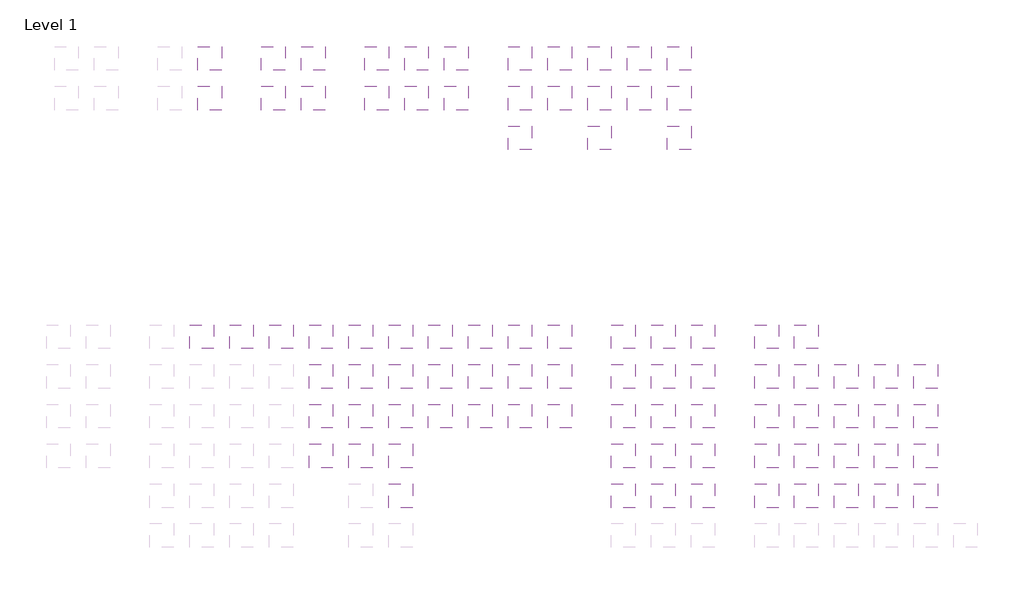
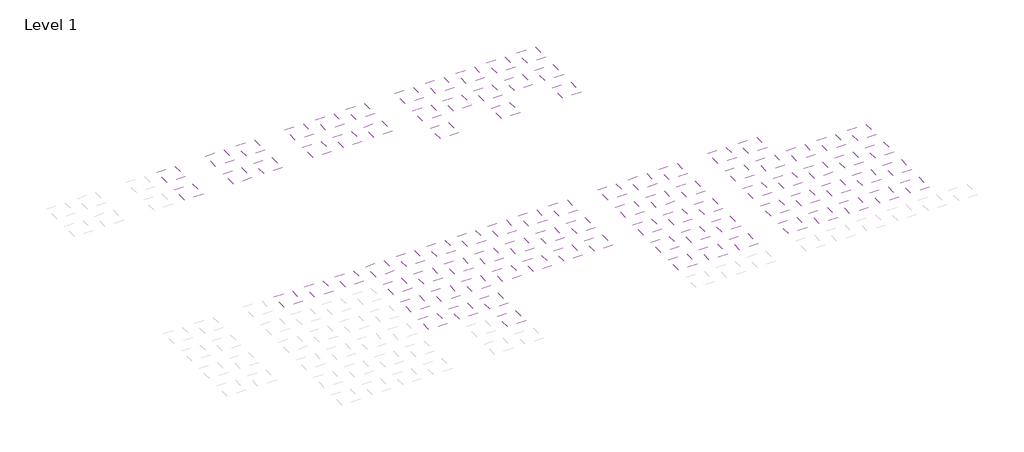
# One storey, part 5 of 90: 90 coverings.
"""IFC4 building model written with IfcOpenShell, lengths in millimetres."""

from ifc_helpers import new_model, si_unit, frame, origin, place, context, project, spatial, polyline, outline, extrude, element, save

model = new_model("IFC4")

# Units and contexts
model_context = context("Model", 3, world=origin())
ifc_project = project(units=[si_unit("LENGTHUNIT", "METRE", prefix="MILLI")], contexts=[model_context])

# Site, building, storey
site = spatial("IfcSite", under=ifc_project)
building = spatial("IfcBuilding", under=site)
storey = spatial("IfcBuildingStorey", under=building, Name="Level 1", Elevation=0.0)

# Coverings
placement = place(None, origin())
element("IfcCovering", 1, at=placement, inside=storey, context=model_context, shape_type="SweptSolid", body=[
    extrude(outline(polyline([(160921.3888175, -42496.7559295), (160921.3888175, -45496.7559295), (157921.3888175, -45496.7559295), (157921.3888175, -42496.7559295), (160921.3888175, -42496.7559295)])), frame((0.0, 0.0, 2600.0), z_axis=(0.0, 0.0, 1.0), x_axis=(1.0, 0.0, 0.0)), (0.0, 0.0, 1.0), 38.0),
])
element("IfcCovering", 2, at=placement, inside=storey, context=model_context, shape_type="SweptSolid", body=[
    extrude(outline(polyline([(160921.3888175, -52496.7559295), (160921.3888175, -55496.7559295), (157921.3888175, -55496.7559295), (157921.3888175, -52496.7559295), (160921.3888175, -52496.7559295)])), frame((0.0, 0.0, 2600.0), z_axis=(0.0, 0.0, 1.0), x_axis=(1.0, 0.0, 0.0)), (0.0, 0.0, 1.0), 38.0),
])
element("IfcCovering", 3, at=placement, inside=storey, context=model_context, shape_type="SweptSolid", body=[
    extrude(outline(polyline([(180921.3888175, -7496.7559295), (180921.3888175, -10496.7559295), (177921.3888175, -10496.7559295), (177921.3888175, -7496.7559295), (180921.3888175, -7496.7559295)])), frame((0.0, 0.0, 2600.0), z_axis=(0.0, 0.0, 1.0), x_axis=(1.0, 0.0, 0.0)), (0.0, 0.0, 1.0), 38.0),
])
element("IfcCovering", 4, at=placement, inside=storey, context=model_context, shape_type="SweptSolid", body=[
    extrude(outline(polyline([(180921.3888175, -17496.7559295), (180921.3888175, -20496.7559295), (177921.3888175, -20496.7559295), (177921.3888175, -17496.7559295), (180921.3888175, -17496.7559295)])), frame((0.0, 0.0, 2600.0), z_axis=(0.0, 0.0, 1.0), x_axis=(1.0, 0.0, 0.0)), (0.0, 0.0, 1.0), 38.0),
])
element("IfcCovering", 5, at=placement, inside=storey, context=model_context, shape_type="SweptSolid", body=[
    extrude(outline(polyline([(190921.3888175, -7496.7559295), (190921.3888175, -10496.7559295), (187921.3888175, -10496.7559295), (187921.3888175, -7496.7559295), (190921.3888175, -7496.7559295)])), frame((0.0, 0.0, 2600.0), z_axis=(0.0, 0.0, 1.0), x_axis=(1.0, 0.0, 0.0)), (0.0, 0.0, 1.0), 38.0),
])
element("IfcCovering", 6, at=placement, inside=storey, context=model_context, shape_type="SweptSolid", body=[
    extrude(outline(polyline([(190921.3888175, -17496.7559295), (190921.3888175, -20496.7559295), (187921.3888175, -20496.7559295), (187921.3888175, -17496.7559295), (190921.3888175, -17496.7559295)])), frame((0.0, 0.0, 2600.0), z_axis=(0.0, 0.0, 1.0), x_axis=(1.0, 0.0, 0.0)), (0.0, 0.0, 1.0), 38.0),
])
element("IfcCovering", 7, at=placement, inside=storey, context=model_context, shape_type="SweptSolid", body=[
    extrude(outline(polyline([(206921.3888175, -42496.7559295), (206921.3888175, -45496.7559295), (203921.3888175, -45496.7559295), (203921.3888175, -42496.7559295), (206921.3888175, -42496.7559295)])), frame((0.0, 0.0, 2600.0), z_axis=(0.0, 0.0, 1.0), x_axis=(1.0, 0.0, 0.0)), (0.0, 0.0, 1.0), 38.0),
])
element("IfcCovering", 8, at=placement, inside=storey, context=model_context, shape_type="SweptSolid", body=[
    extrude(outline(polyline([(135921.3888175, -42496.7559295), (135921.3888175, -45496.7559295), (132921.3888175, -45496.7559295), (132921.3888175, -42496.7559295), (135921.3888175, -42496.7559295)])), frame((0.0, 0.0, 2600.0), z_axis=(0.0, 0.0, 1.0), x_axis=(1.0, 0.0, 0.0)), (0.0, 0.0, 1.0), 38.0),
])
element("IfcCovering", 9, at=placement, inside=storey, context=model_context, shape_type="SweptSolid", body=[
    extrude(outline(polyline([(150921.3888175, -42496.7559295), (150921.3888175, -45496.7559295), (147921.3888175, -45496.7559295), (147921.3888175, -42496.7559295), (150921.3888175, -42496.7559295)])), frame((0.0, 0.0, 2600.0), z_axis=(0.0, 0.0, 1.0), x_axis=(1.0, 0.0, 0.0)), (0.0, 0.0, 1.0), 38.0),
])
element("IfcCovering", 10, at=placement, inside=storey, context=model_context, shape_type="SweptSolid", body=[
    extrude(outline(polyline([(150921.3888175, -47496.7559295), (150921.3888175, -50496.7559295), (147921.3888175, -50496.7559295), (147921.3888175, -47496.7559295), (150921.3888175, -47496.7559295)])), frame((0.0, 0.0, 2600.0), z_axis=(0.0, 0.0, 1.0), x_axis=(1.0, 0.0, 0.0)), (0.0, 0.0, 1.0), 38.0),
])
element("IfcCovering", 11, at=placement, inside=storey, context=model_context, shape_type="SweptSolid", body=[
    extrude(outline(polyline([(150921.3888175, -52496.7559295), (150921.3888175, -55496.7559295), (147921.3888175, -55496.7559295), (147921.3888175, -52496.7559295), (150921.3888175, -52496.7559295)])), frame((0.0, 0.0, 2600.0), z_axis=(0.0, 0.0, 1.0), x_axis=(1.0, 0.0, 0.0)), (0.0, 0.0, 1.0), 38.0),
])
element("IfcCovering", 12, at=placement, inside=storey, context=model_context, shape_type="SweptSolid", body=[
    extrude(outline(polyline([(150921.3888175, -57496.7559295), (150921.3888175, -60496.7559295), (147921.3888175, -60496.7559295), (147921.3888175, -57496.7559295), (150921.3888175, -57496.7559295)])), frame((0.0, 0.0, 2600.0), z_axis=(0.0, 0.0, 1.0), x_axis=(1.0, 0.0, 0.0)), (0.0, 0.0, 1.0), 38.0),
])
element("IfcCovering", 13, at=placement, inside=storey, context=model_context, shape_type="SweptSolid", body=[
    extrude(outline(polyline([(160921.3888175, -47496.7559295), (160921.3888175, -50496.7559295), (157921.3888175, -50496.7559295), (157921.3888175, -47496.7559295), (160921.3888175, -47496.7559295)])), frame((0.0, 0.0, 2600.0), z_axis=(0.0, 0.0, 1.0), x_axis=(1.0, 0.0, 0.0)), (0.0, 0.0, 1.0), 38.0),
])
element("IfcCovering", 14, at=placement, inside=storey, context=model_context, shape_type="SweptSolid", body=[
    extrude(outline(polyline([(155921.3888175, -42496.7559295), (155921.3888175, -45496.7559295), (152921.3888175, -45496.7559295), (152921.3888175, -42496.7559295), (155921.3888175, -42496.7559295)])), frame((0.0, 0.0, 2600.0), z_axis=(0.0, 0.0, 1.0), x_axis=(1.0, 0.0, 0.0)), (0.0, 0.0, 1.0), 38.0),
])
element("IfcCovering", 15, at=placement, inside=storey, context=model_context, shape_type="SweptSolid", body=[
    extrude(outline(polyline([(155921.3888175, -47496.7559295), (155921.3888175, -50496.7559295), (152921.3888175, -50496.7559295), (152921.3888175, -47496.7559295), (155921.3888175, -47496.7559295)])), frame((0.0, 0.0, 2600.0), z_axis=(0.0, 0.0, 1.0), x_axis=(1.0, 0.0, 0.0)), (0.0, 0.0, 1.0), 38.0),
])
element("IfcCovering", 16, at=placement, inside=storey, context=model_context, shape_type="SweptSolid", body=[
    extrude(outline(polyline([(155921.3888175, -57496.7559295), (155921.3888175, -60496.7559295), (152921.3888175, -60496.7559295), (152921.3888175, -57496.7559295), (155921.3888175, -57496.7559295)])), frame((0.0, 0.0, 2600.0), z_axis=(0.0, 0.0, 1.0), x_axis=(1.0, 0.0, 0.0)), (0.0, 0.0, 1.0), 38.0),
])
element("IfcCovering", 17, at=placement, inside=storey, context=model_context, shape_type="SweptSolid", body=[
    extrude(outline(polyline([(155921.3888175, -62496.7559295), (155921.3888175, -65496.7559295), (152921.3888175, -65496.7559295), (152921.3888175, -62496.7559295), (155921.3888175, -62496.7559295)])), frame((0.0, 0.0, 2600.0), z_axis=(0.0, 0.0, 1.0), x_axis=(1.0, 0.0, 0.0)), (0.0, 0.0, 1.0), 38.0),
])
element("IfcCovering", 18, at=placement, inside=storey, context=model_context, shape_type="SweptSolid", body=[
    extrude(outline(polyline([(155921.3888175, -52496.7559295), (155921.3888175, -55496.7559295), (152921.3888175, -55496.7559295), (152921.3888175, -52496.7559295), (155921.3888175, -52496.7559295)])), frame((0.0, 0.0, 2600.0), z_axis=(0.0, 0.0, 1.0), x_axis=(1.0, 0.0, 0.0)), (0.0, 0.0, 1.0), 38.0),
])
element("IfcCovering", 19, at=placement, inside=storey, context=model_context, shape_type="SweptSolid", body=[
    extrude(outline(polyline([(180921.3888175, -12496.7559295), (180921.3888175, -15496.7559295), (177921.3888175, -15496.7559295), (177921.3888175, -12496.7559295), (180921.3888175, -12496.7559295)])), frame((0.0, 0.0, 2600.0), z_axis=(0.0, 0.0, 1.0), x_axis=(1.0, 0.0, 0.0)), (0.0, 0.0, 1.0), 38.0),
])
element("IfcCovering", 20, at=placement, inside=storey, context=model_context, shape_type="SweptSolid", body=[
    extrude(outline(polyline([(190921.3888175, -12496.7559295), (190921.3888175, -15496.7559295), (187921.3888175, -15496.7559295), (187921.3888175, -12496.7559295), (190921.3888175, -12496.7559295)])), frame((0.0, 0.0, 2600.0), z_axis=(0.0, 0.0, 1.0), x_axis=(1.0, 0.0, 0.0)), (0.0, 0.0, 1.0), 38.0),
])
element("IfcCovering", 21, at=placement, inside=storey, context=model_context, shape_type="SweptSolid", body=[
    extrude(outline(polyline([(140921.3888175, -42496.7559295), (140921.3888175, -45496.7559295), (137921.3888175, -45496.7559295), (137921.3888175, -42496.7559295), (140921.3888175, -42496.7559295)])), frame((0.0, 0.0, 2600.0), z_axis=(0.0, 0.0, 1.0), x_axis=(1.0, 0.0, 0.0)), (0.0, 0.0, 1.0), 38.0),
])
element("IfcCovering", 22, at=placement, inside=storey, context=model_context, shape_type="SweptSolid", body=[
    extrude(outline(polyline([(130921.3888175, -42496.7559295), (130921.3888175, -45496.7559295), (127921.3888175, -45496.7559295), (127921.3888175, -42496.7559295), (130921.3888175, -42496.7559295)])), frame((0.0, 0.0, 2600.0), z_axis=(0.0, 0.0, 1.0), x_axis=(1.0, 0.0, 0.0)), (0.0, 0.0, 1.0), 38.0),
])
element("IfcCovering", 23, at=placement, inside=storey, context=model_context, shape_type="SweptSolid", body=[
    extrude(outline(polyline([(185921.3888175, -7496.7559295), (185921.3888175, -10496.7559295), (182921.3888175, -10496.7559295), (182921.3888175, -7496.7559295), (185921.3888175, -7496.7559295)])), frame((0.0, 0.0, 2600.0), z_axis=(0.0, 0.0, 1.0), x_axis=(1.0, 0.0, 0.0)), (0.0, 0.0, 1.0), 38.0),
])
element("IfcCovering", 24, at=placement, inside=storey, context=model_context, shape_type="SweptSolid", body=[
    extrude(outline(polyline([(185921.3888175, -12496.7559295), (185921.3888175, -15496.7559295), (182921.3888175, -15496.7559295), (182921.3888175, -12496.7559295), (185921.3888175, -12496.7559295)])), frame((0.0, 0.0, 2600.0), z_axis=(0.0, 0.0, 1.0), x_axis=(1.0, 0.0, 0.0)), (0.0, 0.0, 1.0), 38.0),
])
element("IfcCovering", 25, at=placement, inside=storey, context=model_context, shape_type="SweptSolid", body=[
    extrude(outline(polyline([(175921.3888175, -7496.7559295), (175921.3888175, -10496.7559295), (172921.3888175, -10496.7559295), (172921.3888175, -7496.7559295), (175921.3888175, -7496.7559295)])), frame((0.0, 0.0, 2600.0), z_axis=(0.0, 0.0, 1.0), x_axis=(1.0, 0.0, 0.0)), (0.0, 0.0, 1.0), 38.0),
])
element("IfcCovering", 26, at=placement, inside=storey, context=model_context, shape_type="SweptSolid", body=[
    extrude(outline(polyline([(175921.3888175, -12496.7559295), (175921.3888175, -15496.7559295), (172921.3888175, -15496.7559295), (172921.3888175, -12496.7559295), (175921.3888175, -12496.7559295)])), frame((0.0, 0.0, 2600.0), z_axis=(0.0, 0.0, 1.0), x_axis=(1.0, 0.0, 0.0)), (0.0, 0.0, 1.0), 38.0),
])
element("IfcCovering", 27, at=placement, inside=storey, context=model_context, shape_type="SweptSolid", body=[
    extrude(outline(polyline([(145921.3888175, -42496.7559295), (145921.3888175, -45496.7559295), (142921.3888175, -45496.7559295), (142921.3888175, -42496.7559295), (145921.3888175, -42496.7559295)])), frame((0.0, 0.0, 2600.0), z_axis=(0.0, 0.0, 1.0), x_axis=(1.0, 0.0, 0.0)), (0.0, 0.0, 1.0), 38.0),
])
element("IfcCovering", 28, at=placement, inside=storey, context=model_context, shape_type="SweptSolid", body=[
    extrude(outline(polyline([(145921.3888175, -47496.7559295), (145921.3888175, -50496.7559295), (142921.3888175, -50496.7559295), (142921.3888175, -47496.7559295), (145921.3888175, -47496.7559295)])), frame((0.0, 0.0, 2600.0), z_axis=(0.0, 0.0, 1.0), x_axis=(1.0, 0.0, 0.0)), (0.0, 0.0, 1.0), 38.0),
])
element("IfcCovering", 29, at=placement, inside=storey, context=model_context, shape_type="SweptSolid", body=[
    extrude(outline(polyline([(145921.3888175, -52496.7559295), (145921.3888175, -55496.7559295), (142921.3888175, -55496.7559295), (142921.3888175, -52496.7559295), (145921.3888175, -52496.7559295)])), frame((0.0, 0.0, 2600.0), z_axis=(0.0, 0.0, 1.0), x_axis=(1.0, 0.0, 0.0)), (0.0, 0.0, 1.0), 38.0),
])
element("IfcCovering", 30, at=placement, inside=storey, context=model_context, shape_type="SweptSolid", body=[
    extrude(outline(polyline([(145921.3888175, -57496.7559295), (145921.3888175, -60496.7559295), (142921.3888175, -60496.7559295), (142921.3888175, -57496.7559295), (145921.3888175, -57496.7559295)])), frame((0.0, 0.0, 2600.0), z_axis=(0.0, 0.0, 1.0), x_axis=(1.0, 0.0, 0.0)), (0.0, 0.0, 1.0), 38.0),
])
element("IfcCovering", 31, at=placement, inside=storey, context=model_context, shape_type="SweptSolid", body=[
    extrude(outline(polyline([(157921.3888175, -7496.7559295), (157921.3888175, -10496.7559295), (154921.3888175, -10496.7559295), (154921.3888175, -7496.7559295), (157921.3888175, -7496.7559295)])), frame((0.0, 0.0, 2600.0), z_axis=(0.0, 0.0, 1.0), x_axis=(1.0, 0.0, 0.0)), (0.0, 0.0, 1.0), 38.0),
])
element("IfcCovering", 32, at=placement, inside=storey, context=model_context, shape_type="SweptSolid", body=[
    extrude(outline(polyline([(157921.3888175, -12496.7559295), (157921.3888175, -15496.7559295), (154921.3888175, -15496.7559295), (154921.3888175, -12496.7559295), (157921.3888175, -12496.7559295)])), frame((0.0, 0.0, 2600.0), z_axis=(0.0, 0.0, 1.0), x_axis=(1.0, 0.0, 0.0)), (0.0, 0.0, 1.0), 38.0),
])
element("IfcCovering", 33, at=placement, inside=storey, context=model_context, shape_type="SweptSolid", body=[
    extrude(outline(polyline([(162921.3888175, -7496.7559295), (162921.3888175, -10496.7559295), (159921.3888175, -10496.7559295), (159921.3888175, -7496.7559295), (162921.3888175, -7496.7559295)])), frame((0.0, 0.0, 2600.0), z_axis=(0.0, 0.0, 1.0), x_axis=(1.0, 0.0, 0.0)), (0.0, 0.0, 1.0), 38.0),
])
element("IfcCovering", 34, at=placement, inside=storey, context=model_context, shape_type="SweptSolid", body=[
    extrude(outline(polyline([(162921.3888175, -12496.7559295), (162921.3888175, -15496.7559295), (159921.3888175, -15496.7559295), (159921.3888175, -12496.7559295), (162921.3888175, -12496.7559295)])), frame((0.0, 0.0, 2600.0), z_axis=(0.0, 0.0, 1.0), x_axis=(1.0, 0.0, 0.0)), (0.0, 0.0, 1.0), 38.0),
])
element("IfcCovering", 35, at=placement, inside=storey, context=model_context, shape_type="SweptSolid", body=[
    extrude(outline(polyline([(131921.3888175, -7496.7559295), (131921.3888175, -10496.7559295), (128921.3888175, -10496.7559295), (128921.3888175, -7496.7559295), (131921.3888175, -7496.7559295)])), frame((0.0, 0.0, 2600.0), z_axis=(0.0, 0.0, 1.0), x_axis=(1.0, 0.0, 0.0)), (0.0, 0.0, 1.0), 38.0),
])
element("IfcCovering", 36, at=placement, inside=storey, context=model_context, shape_type="SweptSolid", body=[
    extrude(outline(polyline([(131921.3888175, -12496.7559295), (131921.3888175, -15496.7559295), (128921.3888175, -15496.7559295), (128921.3888175, -12496.7559295), (131921.3888175, -12496.7559295)])), frame((0.0, 0.0, 2600.0), z_axis=(0.0, 0.0, 1.0), x_axis=(1.0, 0.0, 0.0)), (0.0, 0.0, 1.0), 38.0),
])
element("IfcCovering", 37, at=placement, inside=storey, context=model_context, shape_type="SweptSolid", body=[
    extrude(outline(polyline([(139921.3888175, -7496.7559295), (139921.3888175, -10496.7559295), (136921.3888175, -10496.7559295), (136921.3888175, -7496.7559295), (139921.3888175, -7496.7559295)])), frame((0.0, 0.0, 2600.0), z_axis=(0.0, 0.0, 1.0), x_axis=(1.0, 0.0, 0.0)), (0.0, 0.0, 1.0), 38.0),
])
element("IfcCovering", 38, at=placement, inside=storey, context=model_context, shape_type="SweptSolid", body=[
    extrude(outline(polyline([(139921.3888175, -12496.7559295), (139921.3888175, -15496.7559295), (136921.3888175, -15496.7559295), (136921.3888175, -12496.7559295), (139921.3888175, -12496.7559295)])), frame((0.0, 0.0, 2600.0), z_axis=(0.0, 0.0, 1.0), x_axis=(1.0, 0.0, 0.0)), (0.0, 0.0, 1.0), 38.0),
])
element("IfcCovering", 39, at=placement, inside=storey, context=model_context, shape_type="SweptSolid", body=[
    extrude(outline(polyline([(144921.3888175, -7496.7559295), (144921.3888175, -10496.7559295), (141921.3888175, -10496.7559295), (141921.3888175, -7496.7559295), (144921.3888175, -7496.7559295)])), frame((0.0, 0.0, 2600.0), z_axis=(0.0, 0.0, 1.0), x_axis=(1.0, 0.0, 0.0)), (0.0, 0.0, 1.0), 38.0),
])
element("IfcCovering", 40, at=placement, inside=storey, context=model_context, shape_type="SweptSolid", body=[
    extrude(outline(polyline([(144921.3888175, -12496.7559295), (144921.3888175, -15496.7559295), (141921.3888175, -15496.7559295), (141921.3888175, -12496.7559295), (144921.3888175, -12496.7559295)])), frame((0.0, 0.0, 2600.0), z_axis=(0.0, 0.0, 1.0), x_axis=(1.0, 0.0, 0.0)), (0.0, 0.0, 1.0), 38.0),
])
element("IfcCovering", 41, at=placement, inside=storey, context=model_context, shape_type="SweptSolid", body=[
    extrude(outline(polyline([(211921.3888175, -52496.7559295), (211921.3888175, -55496.7559295), (208921.3888175, -55496.7559295), (208921.3888175, -52496.7559295), (211921.3888175, -52496.7559295)])), frame((0.0, 0.0, 2600.0), z_axis=(0.0, 0.0, 1.0), x_axis=(1.0, 0.0, 0.0)), (0.0, 0.0, 1.0), 38.0),
])
element("IfcCovering", 42, at=placement, inside=storey, context=model_context, shape_type="SweptSolid", body=[
    extrude(outline(polyline([(211921.3888175, -47496.7559295), (211921.3888175, -50496.7559295), (208921.3888175, -50496.7559295), (208921.3888175, -47496.7559295), (211921.3888175, -47496.7559295)])), frame((0.0, 0.0, 2600.0), z_axis=(0.0, 0.0, 1.0), x_axis=(1.0, 0.0, 0.0)), (0.0, 0.0, 1.0), 38.0),
])
element("IfcCovering", 43, at=placement, inside=storey, context=model_context, shape_type="SweptSolid", body=[
    extrude(outline(polyline([(211921.3888175, -57496.7559295), (211921.3888175, -60496.7559295), (208921.3888175, -60496.7559295), (208921.3888175, -57496.7559295), (211921.3888175, -57496.7559295)])), frame((0.0, 0.0, 2600.0), z_axis=(0.0, 0.0, 1.0), x_axis=(1.0, 0.0, 0.0)), (0.0, 0.0, 1.0), 38.0),
])
element("IfcCovering", 44, at=placement, inside=storey, context=model_context, shape_type="SweptSolid", body=[
    extrude(outline(polyline([(211921.3888175, -62496.7559295), (211921.3888175, -65496.7559295), (208921.3888175, -65496.7559295), (208921.3888175, -62496.7559295), (211921.3888175, -62496.7559295)])), frame((0.0, 0.0, 2600.0), z_axis=(0.0, 0.0, 1.0), x_axis=(1.0, 0.0, 0.0)), (0.0, 0.0, 1.0), 38.0),
])
element("IfcCovering", 45, at=placement, inside=storey, context=model_context, shape_type="SweptSolid", body=[
    extrude(outline(polyline([(206921.3888175, -47496.7559295), (206921.3888175, -50496.7559295), (203921.3888175, -50496.7559295), (203921.3888175, -47496.7559295), (206921.3888175, -47496.7559295)])), frame((0.0, 0.0, 2600.0), z_axis=(0.0, 0.0, 1.0), x_axis=(1.0, 0.0, 0.0)), (0.0, 0.0, 1.0), 38.0),
])
element("IfcCovering", 46, at=placement, inside=storey, context=model_context, shape_type="SweptSolid", body=[
    extrude(outline(polyline([(206921.3888175, -52496.7559295), (206921.3888175, -55496.7559295), (203921.3888175, -55496.7559295), (203921.3888175, -52496.7559295), (206921.3888175, -52496.7559295)])), frame((0.0, 0.0, 2600.0), z_axis=(0.0, 0.0, 1.0), x_axis=(1.0, 0.0, 0.0)), (0.0, 0.0, 1.0), 38.0),
])
element("IfcCovering", 47, at=placement, inside=storey, context=model_context, shape_type="SweptSolid", body=[
    extrude(outline(polyline([(206921.3888175, -57496.7559295), (206921.3888175, -60496.7559295), (203921.3888175, -60496.7559295), (203921.3888175, -57496.7559295), (206921.3888175, -57496.7559295)])), frame((0.0, 0.0, 2600.0), z_axis=(0.0, 0.0, 1.0), x_axis=(1.0, 0.0, 0.0)), (0.0, 0.0, 1.0), 38.0),
])
element("IfcCovering", 48, at=placement, inside=storey, context=model_context, shape_type="SweptSolid", body=[
    extrude(outline(polyline([(206921.3888175, -62496.7559295), (206921.3888175, -65496.7559295), (203921.3888175, -65496.7559295), (203921.3888175, -62496.7559295), (206921.3888175, -62496.7559295)])), frame((0.0, 0.0, 2600.0), z_axis=(0.0, 0.0, 1.0), x_axis=(1.0, 0.0, 0.0)), (0.0, 0.0, 1.0), 38.0),
])
element("IfcCovering", 49, at=placement, inside=storey, context=model_context, shape_type="SweptSolid", body=[
    extrude(outline(polyline([(216921.3888175, -47496.7559295), (216921.3888175, -50496.7559295), (213921.3888175, -50496.7559295), (213921.3888175, -47496.7559295), (216921.3888175, -47496.7559295)])), frame((0.0, 0.0, 2600.0), z_axis=(0.0, 0.0, 1.0), x_axis=(1.0, 0.0, 0.0)), (0.0, 0.0, 1.0), 38.0),
])
element("IfcCovering", 50, at=placement, inside=storey, context=model_context, shape_type="SweptSolid", body=[
    extrude(outline(polyline([(216921.3888175, -52496.7559295), (216921.3888175, -55496.7559295), (213921.3888175, -55496.7559295), (213921.3888175, -52496.7559295), (216921.3888175, -52496.7559295)])), frame((0.0, 0.0, 2600.0), z_axis=(0.0, 0.0, 1.0), x_axis=(1.0, 0.0, 0.0)), (0.0, 0.0, 1.0), 38.0),
])
element("IfcCovering", 51, at=placement, inside=storey, context=model_context, shape_type="SweptSolid", body=[
    extrude(outline(polyline([(216921.3888175, -57496.7559295), (216921.3888175, -60496.7559295), (213921.3888175, -60496.7559295), (213921.3888175, -57496.7559295), (216921.3888175, -57496.7559295)])), frame((0.0, 0.0, 2600.0), z_axis=(0.0, 0.0, 1.0), x_axis=(1.0, 0.0, 0.0)), (0.0, 0.0, 1.0), 38.0),
])
element("IfcCovering", 52, at=placement, inside=storey, context=model_context, shape_type="SweptSolid", body=[
    extrude(outline(polyline([(216921.3888175, -62496.7559295), (216921.3888175, -65496.7559295), (213921.3888175, -65496.7559295), (213921.3888175, -62496.7559295), (216921.3888175, -62496.7559295)])), frame((0.0, 0.0, 2600.0), z_axis=(0.0, 0.0, 1.0), x_axis=(1.0, 0.0, 0.0)), (0.0, 0.0, 1.0), 38.0),
])
element("IfcCovering", 53, at=placement, inside=storey, context=model_context, shape_type="SweptSolid", body=[
    extrude(outline(polyline([(221921.3888175, -47496.7559295), (221921.3888175, -50496.7559295), (218921.3888175, -50496.7559295), (218921.3888175, -47496.7559295), (221921.3888175, -47496.7559295)])), frame((0.0, 0.0, 2600.0), z_axis=(0.0, 0.0, 1.0), x_axis=(1.0, 0.0, 0.0)), (0.0, 0.0, 1.0), 38.0),
])
element("IfcCovering", 54, at=placement, inside=storey, context=model_context, shape_type="SweptSolid", body=[
    extrude(outline(polyline([(221921.3888175, -52496.7559295), (221921.3888175, -55496.7559295), (218921.3888175, -55496.7559295), (218921.3888175, -52496.7559295), (221921.3888175, -52496.7559295)])), frame((0.0, 0.0, 2600.0), z_axis=(0.0, 0.0, 1.0), x_axis=(1.0, 0.0, 0.0)), (0.0, 0.0, 1.0), 38.0),
])
element("IfcCovering", 55, at=placement, inside=storey, context=model_context, shape_type="SweptSolid", body=[
    extrude(outline(polyline([(221921.3888175, -57496.7559295), (221921.3888175, -60496.7559295), (218921.3888175, -60496.7559295), (218921.3888175, -57496.7559295), (221921.3888175, -57496.7559295)])), frame((0.0, 0.0, 2600.0), z_axis=(0.0, 0.0, 1.0), x_axis=(1.0, 0.0, 0.0)), (0.0, 0.0, 1.0), 38.0),
])
element("IfcCovering", 56, at=placement, inside=storey, context=model_context, shape_type="SweptSolid", body=[
    extrude(outline(polyline([(221921.3888175, -62496.7559295), (221921.3888175, -65496.7559295), (218921.3888175, -65496.7559295), (218921.3888175, -62496.7559295), (221921.3888175, -62496.7559295)])), frame((0.0, 0.0, 2600.0), z_axis=(0.0, 0.0, 1.0), x_axis=(1.0, 0.0, 0.0)), (0.0, 0.0, 1.0), 38.0),
])
element("IfcCovering", 57, at=placement, inside=storey, context=model_context, shape_type="SweptSolid", body=[
    extrude(outline(polyline([(165921.3888175, -42496.7559295), (165921.3888175, -45496.7559295), (162921.3888175, -45496.7559295), (162921.3888175, -42496.7559295), (165921.3888175, -42496.7559295)])), frame((0.0, 0.0, 2600.0), z_axis=(0.0, 0.0, 1.0), x_axis=(1.0, 0.0, 0.0)), (0.0, 0.0, 1.0), 48.0),
])
element("IfcCovering", 58, at=placement, inside=storey, context=model_context, shape_type="SweptSolid", body=[
    extrude(outline(polyline([(165921.3888175, -47496.7559295), (165921.3888175, -50496.7559295), (162921.3888175, -50496.7559295), (162921.3888175, -47496.7559295), (165921.3888175, -47496.7559295)])), frame((0.0, 0.0, 2600.0), z_axis=(0.0, 0.0, 1.0), x_axis=(1.0, 0.0, 0.0)), (0.0, 0.0, 1.0), 48.0),
])
element("IfcCovering", 59, at=placement, inside=storey, context=model_context, shape_type="SweptSolid", body=[
    extrude(outline(polyline([(165921.3888175, -52496.7559295), (165921.3888175, -55496.7559295), (162921.3888175, -55496.7559295), (162921.3888175, -52496.7559295), (165921.3888175, -52496.7559295)])), frame((0.0, 0.0, 2600.0), z_axis=(0.0, 0.0, 1.0), x_axis=(1.0, 0.0, 0.0)), (0.0, 0.0, 1.0), 48.0),
])
element("IfcCovering", 60, at=placement, inside=storey, context=model_context, shape_type="SweptSolid", body=[
    extrude(outline(polyline([(170921.3888175, -42496.7559295), (170921.3888175, -45496.7559295), (167921.3888175, -45496.7559295), (167921.3888175, -42496.7559295), (170921.3888175, -42496.7559295)])), frame((0.0, 0.0, 2600.0), z_axis=(0.0, 0.0, 1.0), x_axis=(1.0, 0.0, 0.0)), (0.0, 0.0, 1.0), 105.0),
])
element("IfcCovering", 61, at=placement, inside=storey, context=model_context, shape_type="SweptSolid", body=[
    extrude(outline(polyline([(170921.3888175, -47496.7559295), (170921.3888175, -50496.7559295), (167921.3888175, -50496.7559295), (167921.3888175, -47496.7559295), (170921.3888175, -47496.7559295)])), frame((0.0, 0.0, 2600.0), z_axis=(0.0, 0.0, 1.0), x_axis=(1.0, 0.0, 0.0)), (0.0, 0.0, 1.0), 105.0),
])
element("IfcCovering", 62, at=placement, inside=storey, context=model_context, shape_type="SweptSolid", body=[
    extrude(outline(polyline([(170921.3888175, -52496.7559295), (170921.3888175, -55496.7559295), (167921.3888175, -55496.7559295), (167921.3888175, -52496.7559295), (170921.3888175, -52496.7559295)])), frame((0.0, 0.0, 2600.0), z_axis=(0.0, 0.0, 1.0), x_axis=(1.0, 0.0, 0.0)), (0.0, 0.0, 1.0), 105.0),
])
element("IfcCovering", 63, at=placement, inside=storey, context=model_context, shape_type="SweptSolid", body=[
    extrude(outline(polyline([(175921.3888175, -42496.7559295), (175921.3888175, -45496.7559295), (172921.3888175, -45496.7559295), (172921.3888175, -42496.7559295), (175921.3888175, -42496.7559295)])), frame((0.0, 0.0, 2600.0), z_axis=(0.0, 0.0, 1.0), x_axis=(1.0, 0.0, 0.0)), (0.0, 0.0, 1.0), 105.0),
])
element("IfcCovering", 64, at=placement, inside=storey, context=model_context, shape_type="SweptSolid", body=[
    extrude(outline(polyline([(175921.3888175, -47496.7559295), (175921.3888175, -50496.7559295), (172921.3888175, -50496.7559295), (172921.3888175, -47496.7559295), (175921.3888175, -47496.7559295)])), frame((0.0, 0.0, 2600.0), z_axis=(0.0, 0.0, 1.0), x_axis=(1.0, 0.0, 0.0)), (0.0, 0.0, 1.0), 105.0),
])
element("IfcCovering", 65, at=placement, inside=storey, context=model_context, shape_type="SweptSolid", body=[
    extrude(outline(polyline([(175921.3888175, -52496.7559295), (175921.3888175, -55496.7559295), (172921.3888175, -55496.7559295), (172921.3888175, -52496.7559295), (175921.3888175, -52496.7559295)])), frame((0.0, 0.0, 2600.0), z_axis=(0.0, 0.0, 1.0), x_axis=(1.0, 0.0, 0.0)), (0.0, 0.0, 1.0), 105.0),
])
element("IfcCovering", 66, at=placement, inside=storey, context=model_context, shape_type="SweptSolid", body=[
    extrude(outline(polyline([(193921.3888175, -42496.7559295), (193921.3888175, -45496.7559295), (190921.3888175, -45496.7559295), (190921.3888175, -42496.7559295), (193921.3888175, -42496.7559295)])), frame((0.0, 0.0, 2600.0), z_axis=(0.0, 0.0, 1.0), x_axis=(1.0, 0.0, 0.0)), (0.0, 0.0, 1.0), 38.0),
])
element("IfcCovering", 67, at=placement, inside=storey, context=model_context, shape_type="SweptSolid", body=[
    extrude(outline(polyline([(193921.3888175, -47496.7559295), (193921.3888175, -50496.7559295), (190921.3888175, -50496.7559295), (190921.3888175, -47496.7559295), (193921.3888175, -47496.7559295)])), frame((0.0, 0.0, 2600.0), z_axis=(0.0, 0.0, 1.0), x_axis=(1.0, 0.0, 0.0)), (0.0, 0.0, 1.0), 38.0),
])
element("IfcCovering", 68, at=placement, inside=storey, context=model_context, shape_type="SweptSolid", body=[
    extrude(outline(polyline([(193921.3888175, -52496.7559295), (193921.3888175, -55496.7559295), (190921.3888175, -55496.7559295), (190921.3888175, -52496.7559295), (193921.3888175, -52496.7559295)])), frame((0.0, 0.0, 2600.0), z_axis=(0.0, 0.0, 1.0), x_axis=(1.0, 0.0, 0.0)), (0.0, 0.0, 1.0), 38.0),
])
element("IfcCovering", 69, at=placement, inside=storey, context=model_context, shape_type="SweptSolid", body=[
    extrude(outline(polyline([(193921.3888175, -57496.7559295), (193921.3888175, -60496.7559295), (190921.3888175, -60496.7559295), (190921.3888175, -57496.7559295), (193921.3888175, -57496.7559295)])), frame((0.0, 0.0, 2600.0), z_axis=(0.0, 0.0, 1.0), x_axis=(1.0, 0.0, 0.0)), (0.0, 0.0, 1.0), 38.0),
])
element("IfcCovering", 70, at=placement, inside=storey, context=model_context, shape_type="SweptSolid", body=[
    extrude(outline(polyline([(193921.3888175, -62496.7559295), (193921.3888175, -65496.7559295), (190921.3888175, -65496.7559295), (190921.3888175, -62496.7559295), (193921.3888175, -62496.7559295)])), frame((0.0, 0.0, 2600.0), z_axis=(0.0, 0.0, 1.0), x_axis=(1.0, 0.0, 0.0)), (0.0, 0.0, 1.0), 38.0),
])
element("IfcCovering", 71, at=placement, inside=storey, context=model_context, shape_type="SweptSolid", body=[
    extrude(outline(polyline([(188921.3888175, -42496.7559295), (188921.3888175, -45496.7559295), (185921.3888175, -45496.7559295), (185921.3888175, -42496.7559295), (188921.3888175, -42496.7559295)])), frame((0.0, 0.0, 2600.0), z_axis=(0.0, 0.0, 1.0), x_axis=(1.0, 0.0, 0.0)), (0.0, 0.0, 1.0), 38.0),
])
element("IfcCovering", 72, at=placement, inside=storey, context=model_context, shape_type="SweptSolid", body=[
    extrude(outline(polyline([(188921.3888175, -47496.7559295), (188921.3888175, -50496.7559295), (185921.3888175, -50496.7559295), (185921.3888175, -47496.7559295), (188921.3888175, -47496.7559295)])), frame((0.0, 0.0, 2600.0), z_axis=(0.0, 0.0, 1.0), x_axis=(1.0, 0.0, 0.0)), (0.0, 0.0, 1.0), 38.0),
])
element("IfcCovering", 73, at=placement, inside=storey, context=model_context, shape_type="SweptSolid", body=[
    extrude(outline(polyline([(188921.3888175, -52496.7559295), (188921.3888175, -55496.7559295), (185921.3888175, -55496.7559295), (185921.3888175, -52496.7559295), (188921.3888175, -52496.7559295)])), frame((0.0, 0.0, 2600.0), z_axis=(0.0, 0.0, 1.0), x_axis=(1.0, 0.0, 0.0)), (0.0, 0.0, 1.0), 38.0),
])
element("IfcCovering", 74, at=placement, inside=storey, context=model_context, shape_type="SweptSolid", body=[
    extrude(outline(polyline([(188921.3888175, -57496.7559295), (188921.3888175, -60496.7559295), (185921.3888175, -60496.7559295), (185921.3888175, -57496.7559295), (188921.3888175, -57496.7559295)])), frame((0.0, 0.0, 2600.0), z_axis=(0.0, 0.0, 1.0), x_axis=(1.0, 0.0, 0.0)), (0.0, 0.0, 1.0), 38.0),
])
element("IfcCovering", 75, at=placement, inside=storey, context=model_context, shape_type="SweptSolid", body=[
    extrude(outline(polyline([(183921.3888175, -42496.7559295), (183921.3888175, -45496.7559295), (180921.3888175, -45496.7559295), (180921.3888175, -42496.7559295), (183921.3888175, -42496.7559295)])), frame((0.0, 0.0, 2600.0), z_axis=(0.0, 0.0, 1.0), x_axis=(1.0, 0.0, 0.0)), (0.0, 0.0, 1.0), 38.0),
])
element("IfcCovering", 76, at=placement, inside=storey, context=model_context, shape_type="SweptSolid", body=[
    extrude(outline(polyline([(183921.3888175, -47496.7559295), (183921.3888175, -50496.7559295), (180921.3888175, -50496.7559295), (180921.3888175, -47496.7559295), (183921.3888175, -47496.7559295)])), frame((0.0, 0.0, 2600.0), z_axis=(0.0, 0.0, 1.0), x_axis=(1.0, 0.0, 0.0)), (0.0, 0.0, 1.0), 38.0),
])
element("IfcCovering", 77, at=placement, inside=storey, context=model_context, shape_type="SweptSolid", body=[
    extrude(outline(polyline([(183921.3888175, -52496.7559295), (183921.3888175, -55496.7559295), (180921.3888175, -55496.7559295), (180921.3888175, -52496.7559295), (183921.3888175, -52496.7559295)])), frame((0.0, 0.0, 2600.0), z_axis=(0.0, 0.0, 1.0), x_axis=(1.0, 0.0, 0.0)), (0.0, 0.0, 1.0), 38.0),
])
element("IfcCovering", 78, at=placement, inside=storey, context=model_context, shape_type="SweptSolid", body=[
    extrude(outline(polyline([(183921.3888175, -57496.7559295), (183921.3888175, -60496.7559295), (180921.3888175, -60496.7559295), (180921.3888175, -57496.7559295), (183921.3888175, -57496.7559295)])), frame((0.0, 0.0, 2600.0), z_axis=(0.0, 0.0, 1.0), x_axis=(1.0, 0.0, 0.0)), (0.0, 0.0, 1.0), 38.0),
])
element("IfcCovering", 79, at=placement, inside=storey, context=model_context, shape_type="SweptSolid", body=[
    extrude(outline(polyline([(183921.3888175, -62496.7559295), (183921.3888175, -65496.7559295), (180921.3888175, -65496.7559295), (180921.3888175, -62496.7559295), (183921.3888175, -62496.7559295)])), frame((0.0, 0.0, 2600.0), z_axis=(0.0, 0.0, 1.0), x_axis=(1.0, 0.0, 0.0)), (0.0, 0.0, 1.0), 38.0),
])
element("IfcCovering", 80, at=placement, inside=storey, context=model_context, shape_type="SweptSolid", body=[
    extrude(outline(polyline([(188921.3888175, -62496.7559295), (188921.3888175, -65496.7559295), (185921.3888175, -65496.7559295), (185921.3888175, -62496.7559295), (188921.3888175, -62496.7559295)])), frame((0.0, 0.0, 2600.0), z_axis=(0.0, 0.0, 1.0), x_axis=(1.0, 0.0, 0.0)), (0.0, 0.0, 1.0), 38.0),
])
element("IfcCovering", 81, ObjectType="OWA Random Perforated 2 S3 600x600_15", at=placement, inside=storey, context=model_context, shape_type="SweptSolid", body=[
    extrude(outline(polyline([(152921.3888175, -7496.7559295), (152921.3888175, -10496.7559295), (149921.3888175, -10496.7559295), (149921.3888175, -7496.7559295), (152921.3888175, -7496.7559295)])), frame((0.0, 0.0, 2600.0), z_axis=(0.0, 0.0, 1.0), x_axis=(1.0, 0.0, 0.0)), (0.0, 0.0, 1.0), 38.0),
])
element("IfcCovering", 82, ObjectType="OWA Random Perforated 2 S3 625x625_15", at=placement, inside=storey, context=model_context, shape_type="SweptSolid", body=[
    extrude(outline(polyline([(152921.3888175, -12496.7559295), (152921.3888175, -15496.7559295), (149921.3888175, -15496.7559295), (149921.3888175, -12496.7559295), (152921.3888175, -12496.7559295)])), frame((0.0, 0.0, 2600.0), z_axis=(0.0, 0.0, 1.0), x_axis=(1.0, 0.0, 0.0)), (0.0, 0.0, 1.0), 38.0),
])
element("IfcCovering", 83, ObjectType="OWA Regular Perforated 1 S3 600x600_15", at=placement, inside=storey, context=model_context, shape_type="SweptSolid", body=[
    extrude(outline(polyline([(170921.3888175, -7496.7559295), (170921.3888175, -10496.7559295), (167921.3888175, -10496.7559295), (167921.3888175, -7496.7559295), (170921.3888175, -7496.7559295)])), frame((0.0, 0.0, 2600.0), z_axis=(0.0, 0.0, 1.0), x_axis=(1.0, 0.0, 0.0)), (0.0, 0.0, 1.0), 38.0),
])
element("IfcCovering", 84, ObjectType="OWA Regular Perforated 1 S3 610x610_15", at=placement, inside=storey, context=model_context, shape_type="SweptSolid", body=[
    extrude(outline(polyline([(170921.3888175, -12496.7559295), (170921.3888175, -15496.7559295), (167921.3888175, -15496.7559295), (167921.3888175, -12496.7559295), (170921.3888175, -12496.7559295)])), frame((0.0, 0.0, 2600.0), z_axis=(0.0, 0.0, 1.0), x_axis=(1.0, 0.0, 0.0)), (0.0, 0.0, 1.0), 38.0),
])
element("IfcCovering", 85, ObjectType="OWA Regular Perforated 1 S3 625x625_15", at=placement, inside=storey, context=model_context, shape_type="SweptSolid", body=[
    extrude(outline(polyline([(170921.3888175, -17496.7559295), (170921.3888175, -20496.7559295), (167921.3888175, -20496.7559295), (167921.3888175, -17496.7559295), (170921.3888175, -17496.7559295)])), frame((0.0, 0.0, 2600.0), z_axis=(0.0, 0.0, 1.0), x_axis=(1.0, 0.0, 0.0)), (0.0, 0.0, 1.0), 38.0),
])
element("IfcCovering", 86, ObjectType="OWA Universal 65 S3 600x1200_15", at=placement, inside=storey, context=model_context, shape_type="SweptSolid", body=[
    extrude(outline(polyline([(201921.3888175, -57496.7559295), (201921.3888175, -60496.7559295), (198921.3888175, -60496.7559295), (198921.3888175, -57496.7559295), (201921.3888175, -57496.7559295)])), frame((0.0, 0.0, 2600.0), z_axis=(0.0, 0.0, 1.0), x_axis=(1.0, 0.0, 0.0)), (0.0, 0.0, 1.0), 38.0),
])
element("IfcCovering", 87, ObjectType="OWA Universal 65 S3 600x600_15", at=placement, inside=storey, context=model_context, shape_type="SweptSolid", body=[
    extrude(outline(polyline([(201921.3888175, -42496.7559295), (201921.3888175, -45496.7559295), (198921.3888175, -45496.7559295), (198921.3888175, -42496.7559295), (201921.3888175, -42496.7559295)])), frame((0.0, 0.0, 2600.0), z_axis=(0.0, 0.0, 1.0), x_axis=(1.0, 0.0, 0.0)), (0.0, 0.0, 1.0), 38.0),
])
element("IfcCovering", 88, ObjectType="OWA Universal 65 S3 610x1220_15", at=placement, inside=storey, context=model_context, shape_type="SweptSolid", body=[
    extrude(outline(polyline([(201921.3888175, -62496.7559295), (201921.3888175, -65496.7559295), (198921.3888175, -65496.7559295), (198921.3888175, -62496.7559295), (201921.3888175, -62496.7559295)])), frame((0.0, 0.0, 2600.0), z_axis=(0.0, 0.0, 1.0), x_axis=(1.0, 0.0, 0.0)), (0.0, 0.0, 1.0), 38.0),
])
element("IfcCovering", 89, ObjectType="OWA Universal 65 S3 610x610_15", at=placement, inside=storey, context=model_context, shape_type="SweptSolid", body=[
    extrude(outline(polyline([(201921.3888175, -47496.7559295), (201921.3888175, -50496.7559295), (198921.3888175, -50496.7559295), (198921.3888175, -47496.7559295), (201921.3888175, -47496.7559295)])), frame((0.0, 0.0, 2600.0), z_axis=(0.0, 0.0, 1.0), x_axis=(1.0, 0.0, 0.0)), (0.0, 0.0, 1.0), 38.0),
])
element("IfcCovering", 90, ObjectType="OWA Universal 65 S3 625x625_15", at=placement, inside=storey, context=model_context, shape_type="SweptSolid", body=[
    extrude(outline(polyline([(201921.3888175, -52496.7559295), (201921.3888175, -55496.7559295), (198921.3888175, -55496.7559295), (198921.3888175, -52496.7559295), (201921.3888175, -52496.7559295)])), frame((0.0, 0.0, 2600.0), z_axis=(0.0, 0.0, 1.0), x_axis=(1.0, 0.0, 0.0)), (0.0, 0.0, 1.0), 38.0),
])

save(model, "model.ifc")
